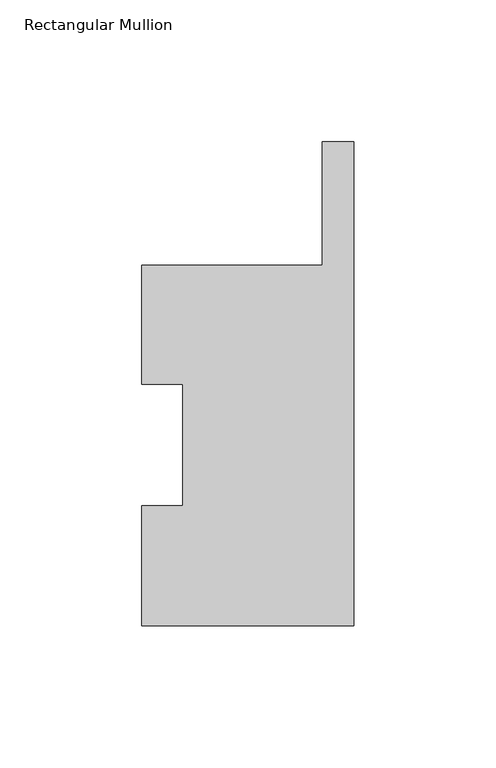
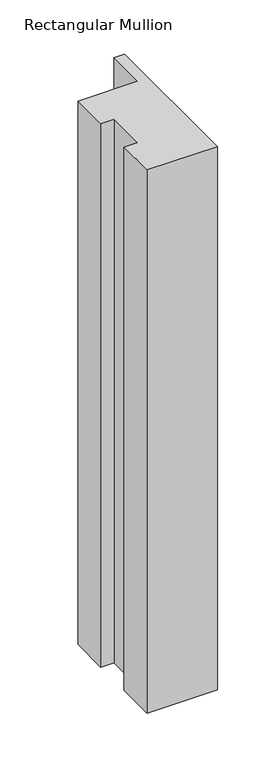
"""IFC4 building model written with IfcOpenShell, lengths in millimetres: member geometry, Rectangular Mullion."""

from ifc_helpers import new_model, si_unit, frame, origin, place, context, project, spatial, polyline, outline, extrude, source, transform, mapped, element, save


def rectangular_mullion_d4b06636(model_context):
    return source(origin(), model_context, "Body", "SweptSolid", [
        extrude(outline(polyline([(-74.6261587, 126.9888875), (-11.1125, 126.9888875), (-11.1125, 170.4072253), (0.0, 170.4072253), (0.0, -0.0111125), (-74.6261587, -0.0111125), (-74.6261587, 42.2798875), (-60.3411987, 42.2798875), (-60.3411987, 85.1296875), (-74.6261587, 85.1296875), (-74.6261587, 126.9888875)])), frame((0.0, 0.0, -609.6), z_axis=(0.0, 0.0, 1.0), x_axis=(1.0, 0.0, 0.0)), (0.0, 0.0, 1.0), 609.6),
    ])


if __name__ == "__main__":
    model = new_model("IFC4")
    model_context = context("Model", 3, world=origin())
    ifc_project = project(units=[si_unit("LENGTHUNIT", "METRE", prefix="MILLI")], contexts=[model_context])
    site = spatial("IfcSite", under=ifc_project)
    building = spatial("IfcBuilding", under=site)
    placement = place(None, origin())
    rectangular_mullion_shape = rectangular_mullion_d4b06636(model_context)
    element("IfcMember", 1, ObjectType="Rectangular Mullion", at=placement, inside=building, context=model_context, shape_type="MappedRepresentation", body=[
        mapped(rectangular_mullion_shape, transform((0.0, 0.0, 0.0), x_axis=(1.0, 0.0, 0.0), y_axis=(0.0, 1.0, 0.0), z_axis=(0.0, 0.0, 1.0))),
    ])
    save(model, "model.ifc")
